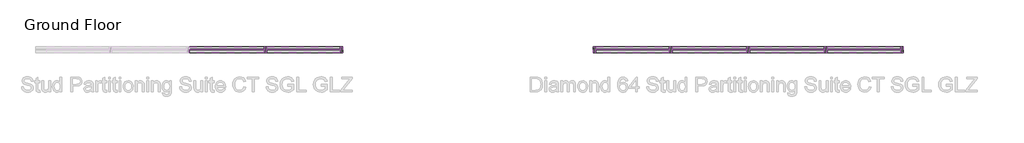
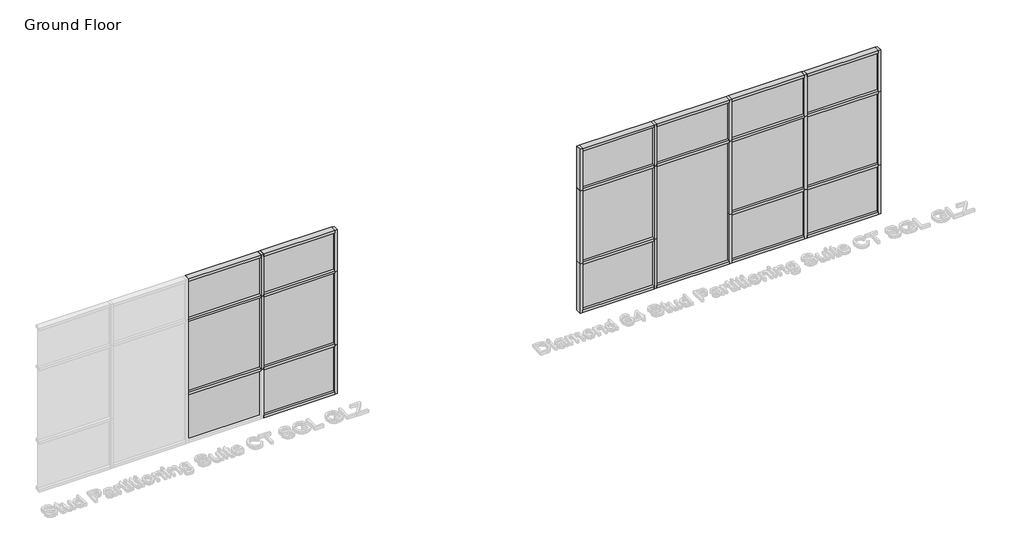
# One storey, part 10 of 32: 42 members, 17 plates.
"""IFC4 building model written with IfcOpenShell, lengths in millimetres."""

import ifcopenshell
import ifcopenshell.guid

model = None  # the IFC model being written
_history = None  # IfcOwnerHistory: only IFC2X3 demands one
_inside = {}  # id of a spatial element -> (the spatial element, [elements in it])
_under = {}  # id of a project, library or spatial element -> (it, [spatial elements below it])
_declared = {}  # id of a project -> (the project, [libraries it declares])
_typed = {}  # id of a type object -> (the type object, [elements of that type])
_made_of = {}  # id of a material, layer set ... -> (it, [elements and type objects made of it])


def new_model(schema):
    """Start an empty IFC model of exactly this schema.

    Asked for "IFC4X3", IfcOpenShell would pick the latest addendum, in which some entities
    have other attributes; the version numbers below select the first issue.
    IFC2X3 requires an IfcOwnerHistory on every rooted entity: one is made here for all.
    """
    global model, _history
    if schema == "IFC4X3":
        model = ifcopenshell.file(schema_version=(4, 3, 0, 0))
    else:
        model = ifcopenshell.file(schema=schema)
    _inside.clear()
    _under.clear()
    _declared.clear()
    _typed.clear()
    _made_of.clear()
    _history = None
    if model.schema == "IFC2X3":
        org = make("IfcOrganization", Name="unknown")
        user = make(
            "IfcPersonAndOrganization",
            ThePerson=make("IfcPerson", FamilyName="unknown"),
            TheOrganization=org,
        )
        app = make(
            "IfcApplication",
            ApplicationDeveloper=org,
            Version="unknown",
            ApplicationFullName="unknown",
            ApplicationIdentifier="unknown",
        )
        _history = make(
            "IfcOwnerHistory",
            OwningUser=user,
            OwningApplication=app,
            ChangeAction="ADDED",
            CreationDate=0,
        )
    return model


def make(cls, **values):
    """One entity of the class cls with the attributes given. An attribute that is None is left unset."""
    return model.create_entity(
        cls, **{name: value for name, value in values.items() if value is not None}
    )


def rooted(cls, **values):
    """An entity with a GlobalId (a new one), such as an element, a storey or a relation."""
    return make(cls, GlobalId=ifcopenshell.guid.new(), OwnerHistory=_history, **values)


def si_unit(unit_type, name, prefix=None):
    """IfcSIUnit, for example si_unit("LENGTHUNIT", "METRE", prefix="MILLI")."""
    return make("IfcSIUnit", UnitType=unit_type, Prefix=prefix, Name=name)


def assignment(units):
    """IfcUnitAssignment: the units of a project."""
    return None if units is None else make("IfcUnitAssignment", Units=units)


def point(xyz):
    """IfcCartesianPoint."""
    return None if xyz is None else make("IfcCartesianPoint", Coordinates=xyz)


def direction(xyz):
    """IfcDirection."""
    return None if xyz is None else make("IfcDirection", DirectionRatios=xyz)


def frame(location, z_axis=None, x_axis=None):
    """IfcAxis2Placement3D, a coordinate frame: its origin and axes. An axis left out is left unset."""
    return make(
        "IfcAxis2Placement3D",
        Location=point(location),
        Axis=direction(z_axis),
        RefDirection=direction(x_axis),
    )


def origin():
    """The frame at (0, 0, 0) with its axes left unset."""
    return frame((0.0, 0.0, 0.0))


def origin_with_axes():
    """The frame at (0, 0, 0) with the z axis (0, 0, 1) and the x axis (1, 0, 0) written out."""
    return frame((0.0, 0.0, 0.0), z_axis=(0.0, 0.0, 1.0), x_axis=(1.0, 0.0, 0.0))


def place(relative_to, where):
    """IfcLocalPlacement: puts the frame where relative to a parent placement (None: the world)."""
    return make(
        "IfcLocalPlacement", PlacementRelTo=relative_to, RelativePlacement=where
    )


def context(
    kind, dimensions, precision=None, world=None, true_north=None, identifier=None
):
    """IfcGeometricRepresentationContext, for example the 3D "Model" context."""
    return make(
        "IfcGeometricRepresentationContext",
        ContextIdentifier=identifier,
        ContextType=kind,
        CoordinateSpaceDimension=dimensions,
        Precision=precision,
        WorldCoordinateSystem=world,
        TrueNorth=true_north,
    )


def project(units=None, contexts=None):
    """IfcProject with its units and contexts."""
    return rooted(
        "IfcProject",
        Name="project",
        RepresentationContexts=contexts,
        UnitsInContext=assignment(units),
    )


def spatial(cls, under=None, at=None, **own):
    """A site, building, storey or space (cls), placed at a placement, below another one or the project."""
    s = rooted(cls, ObjectPlacement=at, **own)
    if under is not None:
        _under.setdefault(under.id(), (under, []))[1].append(s)
    return s


def polyline(points):
    """IfcPolyline through the points."""
    return make("IfcPolyline", Points=[point(p) for p in points])


def outline(outer, holes=None, kind="AREA"):
    """IfcArbitraryClosedProfileDef: a profile drawn as a closed curve; with holes, ...WithVoids."""
    if holes is None:
        return make("IfcArbitraryClosedProfileDef", ProfileType=kind, OuterCurve=outer)
    return make(
        "IfcArbitraryProfileDefWithVoids",
        ProfileType=kind,
        OuterCurve=outer,
        InnerCurves=holes,
    )


def extrude(swept, where, along, depth):
    """IfcExtrudedAreaSolid: the profile swept, set in the frame where, extruded along a direction by depth."""
    return make(
        "IfcExtrudedAreaSolid",
        SweptArea=swept,
        Position=where,
        ExtrudedDirection=direction(along),
        Depth=depth,
    )


def shape(context_of_items, identifier, shape_type, items):
    """IfcShapeRepresentation: the items that make up one representation, for example the "Body"."""
    return make(
        "IfcShapeRepresentation",
        ContextOfItems=context_of_items,
        RepresentationIdentifier=identifier,
        RepresentationType=shape_type,
        Items=items,
    )


def source(mapping_origin, context_of_items, identifier, shape_type, items):
    """IfcRepresentationMap: a shape defined once, which mapped items show again and again."""
    return make(
        "IfcRepresentationMap",
        MappingOrigin=mapping_origin,
        MappedRepresentation=shape(context_of_items, identifier, shape_type, items),
    )


def transform(
    local_origin,
    x_axis=None,
    y_axis=None,
    z_axis=None,
    scale=None,
    scale2=None,
    scale3=None,
    uniform=True,
):
    """IfcCartesianTransformationOperator3D, or its non-uniform kind. x_axis, y_axis, z_axis: its Axis1, 2, 3."""
    if uniform:
        return make(
            "IfcCartesianTransformationOperator3D",
            Axis1=direction(x_axis),
            Axis2=direction(y_axis),
            LocalOrigin=point(local_origin),
            Scale=scale,
            Axis3=direction(z_axis),
        )
    return make(
        "IfcCartesianTransformationOperator3DnonUniform",
        Axis1=direction(x_axis),
        Axis2=direction(y_axis),
        LocalOrigin=point(local_origin),
        Scale=scale,
        Axis3=direction(z_axis),
        Scale2=scale2,
        Scale3=scale3,
    )


def mapped(mapping_source, mapping_target):
    """IfcMappedItem: shows the shape of a source again, moved by a transform."""
    return make(
        "IfcMappedItem", MappingSource=mapping_source, MappingTarget=mapping_target
    )


def made_of(thing, what):
    """Note that an element or type object is made of a material, layer set ...; save() writes the relation."""
    if what is not None:
        _made_of.setdefault(what.id(), (what, []))[1].append(thing)
    return thing


def element(
    cls,
    number,
    at=None,
    inside=None,
    cuts=None,
    type_object=None,
    material=None,
    context=None,
    identifier="Body",
    shape_type=None,
    held_by="IfcProductDefinitionShape",
    body=None,
    shapes=None,
    **own,
):
    """One element of the class cls, such as IfcWall. Its Tag is "e" and its number.

    at: its placement. inside: the storey or other place that contains it. cuts: it is an
    opening in that element (IfcRelVoidsElement). A single representation is given by context,
    identifier, shape_type and body (its items); several are given by shapes. held_by: the class
    of the entity that holds the representations. save() writes the other relations.
    """
    e = rooted(cls, Tag="e%d" % number, ObjectPlacement=at, **own)
    if body is not None:
        shapes = [shape(context, identifier, shape_type, body)]
    if shapes is not None:
        e.Representation = make(held_by, Representations=shapes)
    if inside is not None:
        _inside.setdefault(inside.id(), (inside, []))[1].append(e)
    if cuts is not None:
        rooted(
            "IfcRelVoidsElement", RelatingBuildingElement=cuts, RelatedOpeningElement=e
        )
    if type_object is not None:
        _typed.setdefault(type_object.id(), (type_object, []))[1].append(e)
    return made_of(e, material)


def aggregate(whole, parts):
    """IfcRelAggregates: a whole, such as a stair, and the parts it consists of."""
    return rooted("IfcRelAggregates", RelatingObject=whole, RelatedObjects=parts)


def save(model, path):
    """Write the relations noted so far, then the file.

    IfcRelAggregates (storeys below a building ...), IfcRelContainedInSpatialStructure (elements
    in a storey), IfcRelDefinesByType, IfcRelAssociatesMaterial and IfcRelDeclares: one each for
    every whole, place, type object, material and project.
    """
    for whole, parts in _under.values():
        aggregate(whole, parts)
    for where, things in _inside.values():
        rooted(
            "IfcRelContainedInSpatialStructure",
            RelatedElements=things,
            RelatingStructure=where,
        )
    for kind, things in _typed.values():
        rooted("IfcRelDefinesByType", RelatedObjects=things, RelatingType=kind)
    for what, things in _made_of.values():
        rooted("IfcRelAssociatesMaterial", RelatedObjects=things, RelatingMaterial=what)
    for by, libraries in _declared.values():
        rooted("IfcRelDeclares", RelatingContext=by, RelatedDefinitions=libraries)
    model.write(path)


def rectangular_mullion_101_6mm_pocket_framing_f6936da2(model_context):
    return source(origin(), model_context, "Body", "SweptSolid", [
        extrude(outline(polyline([(0.0, 50.8), (0.0, -50.8), (-44.5, -50.8), (-44.5, 50.8), (0.0, 50.8)])), frame((0.0, 0.0, -1233.2), z_axis=(0.0, 0.0, 1.0), x_axis=(1.0, 0.0, 0.0)), (0.0, 0.0, 1.0), 1233.2),
    ])


def rectangular_mullion_101_6mm_pocket_framing_c2234b28(model_context):
    return source(origin(), model_context, "Body", "SweptSolid", [
        extrude(outline(polyline([(0.0, 50.8), (0.0, -50.8), (-44.5, -50.8), (-44.5, 50.8), (0.0, 50.8)])), frame((0.0, 0.0, -1233.3), z_axis=(0.0, 0.0, 1.0), x_axis=(1.0, 0.0, 0.0)), (0.0, 0.0, 1.0), 1233.3),
    ])


def rectangular_mullion_101_6mm_pocket_framing_71218b62(model_context):
    return source(origin(), model_context, "Body", "SweptSolid", [
        extrude(outline(polyline([(22.3, 50.8), (22.3, -50.8), (-22.2, -50.8), (-22.2, 50.8), (22.3, 50.8)])), frame((0.0, 0.0, -900.0), z_axis=(0.0, 0.0, 1.0), x_axis=(1.0, 0.0, 0.0)), (0.0, 0.0, 1.0), 900.0),
    ])


def rectangular_mullion_101_6mm_pocket_framing_d6b3073b(model_context):
    return source(origin(), model_context, "Body", "SweptSolid", [
        extrude(outline(polyline([(22.3, 50.8), (22.3, -50.8), (-22.2, -50.8), (-22.2, 50.8), (22.3, 50.8)])), frame((0.0, 0.0, -1233.3), z_axis=(0.0, 0.0, 1.0), x_axis=(1.0, 0.0, 0.0)), (0.0, 0.0, 1.0), 1233.3),
    ])


def rectangular_mullion_101_6mm_pocket_framing_02036024(model_context):
    return source(origin(), model_context, "Body", "SweptSolid", [
        extrude(outline(polyline([(22.3, 50.8), (22.3, -50.8), (-22.2, -50.8), (-22.2, 50.8), (22.3, 50.8)])), frame((0.0, 0.0, -1255.5), z_axis=(0.0, 0.0, 1.0), x_axis=(1.0, 0.0, 0.0)), (0.0, 0.0, 1.0), 1255.5),
    ])


def rectangular_mullion_101_6mm_pocket_framing_c648c660(model_context):
    return source(origin(), model_context, "Body", "SweptSolid", [
        extrude(outline(polyline([(0.0, 50.8), (0.0, -50.8), (-44.5, -50.8), (-44.5, 50.8), (0.0, 50.8)])), frame((0.0, 0.0, -1255.5), z_axis=(0.0, 0.0, 1.0), x_axis=(1.0, 0.0, 0.0)), (0.0, 0.0, 1.0), 1255.5),
    ])


def rectangular_mullion_101_6mm_pocket_framing_c55e2b81(model_context):
    return source(origin(), model_context, "Body", "SweptSolid", [
        extrude(outline(polyline([(22.3, 50.8), (22.3, -50.8), (-22.2, -50.8), (-22.2, 50.8), (22.3, 50.8)])), frame((0.0, 0.0, -760.0), z_axis=(0.0, 0.0, 1.0), x_axis=(1.0, 0.0, 0.0)), (0.0, 0.0, 1.0), 760.0),
    ])


def rectangular_mullion_101_6mm_pocket_framing_99c99ffd(model_context):
    return source(origin(), model_context, "Body", "SweptSolid", [
        extrude(outline(polyline([(22.3, 50.8), (22.3, -50.8), (-22.2, -50.8), (-22.2, 50.8), (22.3, 50.8)])), frame((0.0, 0.0, -1340.0), z_axis=(0.0, 0.0, 1.0), x_axis=(1.0, 0.0, 0.0)), (0.0, 0.0, 1.0), 1340.0),
    ])


def rectangular_mullion_101_6mm_pocket_framing_a92e5454(model_context):
    return source(origin(), model_context, "Body", "SweptSolid", [
        extrude(outline(polyline([(0.0, 50.8), (0.0, -50.8), (-44.5, -50.8), (-44.5, 50.8), (0.0, 50.8)])), frame((0.0, 0.0, -760.0), z_axis=(0.0, 0.0, 1.0), x_axis=(1.0, 0.0, 0.0)), (0.0, 0.0, 1.0), 760.0),
    ])


def rectangular_mullion_101_6mm_pocket_framing_e3ed427b(model_context):
    return source(origin(), model_context, "Body", "SweptSolid", [
        extrude(outline(polyline([(0.0, 50.8), (0.0, -50.8), (-44.5, -50.8), (-44.5, 50.8), (0.0, 50.8)])), frame((0.0, 0.0, -900.0), z_axis=(0.0, 0.0, 1.0), x_axis=(1.0, 0.0, 0.0)), (0.0, 0.0, 1.0), 900.0),
    ])


def rectangular_mullion_101_6mm_pocket_framing_08fb9d78(model_context):
    return source(origin(), model_context, "Body", "SweptSolid", [
        extrude(outline(polyline([(0.0, 50.8), (0.0, -50.8), (-44.5, -50.8), (-44.5, 50.8), (0.0, 50.8)])), frame((0.0, 0.0, -1340.0), z_axis=(0.0, 0.0, 1.0), x_axis=(1.0, 0.0, 0.0)), (0.0, 0.0, 1.0), 1340.0),
    ])


def plate_4c4316b1(model_context):
    return source(origin(), model_context, "Body", "SweptSolid", [
        extrude(outline(polyline([(616.65, 5.2), (616.65, -5.2), (-616.65, -5.2), (-616.65, 5.2), (616.65, 5.2)])), origin_with_axes(), (0.0, 0.0, 1.0), 833.3),
    ])


def plate_1e45ec1c(model_context):
    return source(origin(), model_context, "Body", "SweptSolid", [
        extrude(outline(polyline([(616.65, 5.2), (616.65, -5.2), (-616.65, -5.2), (-616.65, 5.2), (616.65, 5.2)])), origin_with_axes(), (0.0, 0.0, 1.0), 1295.5),
    ])


def plate_1936541f(model_context):
    return source(origin(), model_context, "Body", "SweptSolid", [
        extrude(outline(polyline([(616.65, 5.2), (616.65, -5.2), (-616.65, -5.2), (-616.65, 5.2), (616.65, 5.2)])), origin_with_axes(), (0.0, 0.0, 1.0), 693.2),
    ])


def plate_a5758aa4(model_context):
    return source(origin(), model_context, "Body", "SweptSolid", [
        extrude(outline(polyline([(627.75, 5.2), (627.75, -5.2), (-627.75, -5.2), (-627.75, 5.2), (627.75, 5.2)])), origin_with_axes(), (0.0, 0.0, 1.0), 2173.3),
    ])


def plate_ededded3(model_context):
    return source(origin(), model_context, "Body", "SweptSolid", [
        extrude(outline(polyline([(627.75, 5.2), (627.75, -5.2), (-627.75, -5.2), (-627.75, 5.2), (627.75, 5.2)])), origin_with_axes(), (0.0, 0.0, 1.0), 693.2),
    ])


def plate_49a47717(model_context):
    return source(origin(), model_context, "Body", "SweptSolid", [
        extrude(outline(polyline([(627.75, 5.2), (627.75, -5.2), (-627.75, -5.2), (-627.75, 5.2), (627.75, 5.2)])), origin_with_axes(), (0.0, 0.0, 1.0), 833.3),
    ])


def plate_3d112146(model_context):
    return source(origin(), model_context, "Body", "SweptSolid", [
        extrude(outline(polyline([(627.75, 5.2), (627.75, -5.2), (-627.75, -5.2), (-627.75, 5.2), (627.75, 5.2)])), origin_with_axes(), (0.0, 0.0, 1.0), 1295.5),
    ])


def plate_ecaf0077(model_context):
    return source(origin(), model_context, "Body", "SweptSolid", [
        extrude(outline(polyline([(616.6, 5.2), (616.6, -5.2), (-616.6, -5.2), (-616.6, 5.2), (616.6, 5.2)])), origin_with_axes(), (0.0, 0.0, 1.0), 833.3),
    ])


def plate_d3ba7752(model_context):
    return source(origin(), model_context, "Body", "SweptSolid", [
        extrude(outline(polyline([(616.6, 5.2), (616.6, -5.2), (-616.6, -5.2), (-616.6, 5.2), (616.6, 5.2)])), origin_with_axes(), (0.0, 0.0, 1.0), 1295.5),
    ])


def plate_7c9364c8(model_context):
    return source(origin(), model_context, "Body", "SweptSolid", [
        extrude(outline(polyline([(616.6, 5.2), (616.6, -5.2), (-616.6, -5.2), (-616.6, 5.2), (616.6, 5.2)])), origin_with_axes(), (0.0, 0.0, 1.0), 693.2),
    ])


model = new_model("IFC4")

# Units and contexts
model_context = context("Model", 3, world=origin())
ifc_project = project(units=[si_unit("LENGTHUNIT", "METRE", prefix="MILLI")], contexts=[model_context])

# Site, building, storey
site = spatial("IfcSite", under=ifc_project)
building = spatial("IfcBuilding", under=site)
storey = spatial("IfcBuildingStorey", under=building, Name="Ground Floor", Elevation=0.0)

# Members
placement = place(None, origin())
rectangular_mullion_101_6mm_pocket_framing_shape = rectangular_mullion_101_6mm_pocket_framing_f6936da2(model_context)
element("IfcMember", 1, ObjectType="Rectangular Mullion : 101.6mm Pocket Framing", at=placement, inside=storey, context=model_context, shape_type="MappedRepresentation", body=[
    mapped(rectangular_mullion_101_6mm_pocket_framing_shape, transform((90971.2255874, 11147.1997711, 3000.0), x_axis=(0.0, 0.0, 1.0), y_axis=(0.0, -1.0, 0.0), z_axis=(1.0, 0.0, 0.0))),
])
element("IfcMember", 2, ObjectType="Rectangular Mullion : 101.6mm Pocket Framing", at=placement, inside=storey, context=model_context, shape_type="MappedRepresentation", body=[
    mapped(rectangular_mullion_101_6mm_pocket_framing_shape, transform((100371.2255874, 11147.1997711, 3000.0), x_axis=(0.0, 0.0, 1.0), y_axis=(0.0, -1.0, 0.0), z_axis=(1.0, 0.0, 0.0))),
])
element("IfcMember", 3, ObjectType="Rectangular Mullion : 101.6mm Pocket Framing", at=placement, inside=storey, context=model_context, shape_type="MappedRepresentation", body=[
    mapped(rectangular_mullion_101_6mm_pocket_framing_shape, transform((96493.5255874, 11147.1997711, 3000.0), x_axis=(0.0, 0.0, 1.0), y_axis=(0.0, -1.0, 0.0), z_axis=(1.0, 0.0, 0.0))),
])
rectangular_mullion_101_6mm_pocket_framing_2_shape = rectangular_mullion_101_6mm_pocket_framing_c2234b28(model_context)
element("IfcMember", 4, ObjectType="Rectangular Mullion : 101.6mm Pocket Framing", at=placement, inside=storey, context=model_context, shape_type="MappedRepresentation", body=[
    mapped(rectangular_mullion_101_6mm_pocket_framing_2_shape, transform((89738.0255874, 11147.1997711, 0.0), x_axis=(0.0, 0.0, -1.0), y_axis=(0.0, -1.0, 0.0), z_axis=(-1.0, 0.0, 0.0))),
])
element("IfcMember", 5, ObjectType="Rectangular Mullion : 101.6mm Pocket Framing", at=placement, inside=storey, context=model_context, shape_type="MappedRepresentation", body=[
    mapped(rectangular_mullion_101_6mm_pocket_framing_2_shape, transform((95260.2255874, 11147.1997711, 0.0), x_axis=(0.0, 0.0, -1.0), y_axis=(0.0, -1.0, 0.0), z_axis=(-1.0, 0.0, 0.0))),
])
element("IfcMember", 6, ObjectType="Rectangular Mullion : 101.6mm Pocket Framing", at=placement, inside=storey, context=model_context, shape_type="MappedRepresentation", body=[
    mapped(rectangular_mullion_101_6mm_pocket_framing_2_shape, transform((99138.0255874, 11147.1997711, 0.0), x_axis=(0.0, 0.0, -1.0), y_axis=(0.0, -1.0, 0.0), z_axis=(-1.0, 0.0, 0.0))),
])
rectangular_mullion_101_6mm_pocket_framing_3_shape = rectangular_mullion_101_6mm_pocket_framing_71218b62(model_context)
element("IfcMember", 7, ObjectType="Rectangular Mullion : 101.6mm Pocket Framing", at=placement, inside=storey, context=model_context, shape_type="MappedRepresentation", body=[
    mapped(rectangular_mullion_101_6mm_pocket_framing_3_shape, transform((96515.7255874, 11147.1997711, 0.0), x_axis=(1.0, 0.0, 0.0), y_axis=(0.0, -1.0, 0.0), z_axis=(0.0, 0.0, -1.0))),
])
element("IfcMember", 8, ObjectType="Rectangular Mullion : 101.6mm Pocket Framing", at=placement, inside=storey, context=model_context, shape_type="MappedRepresentation", body=[
    mapped(rectangular_mullion_101_6mm_pocket_framing_3_shape, transform((97815.7255874, 11147.1997711, 0.0), x_axis=(1.0, 0.0, 0.0), y_axis=(0.0, -1.0, 0.0), z_axis=(0.0, 0.0, -1.0))),
])
element("IfcMember", 9, ObjectType="Rectangular Mullion : 101.6mm Pocket Framing", at=placement, inside=storey, context=model_context, shape_type="MappedRepresentation", body=[
    mapped(rectangular_mullion_101_6mm_pocket_framing_3_shape, transform((99115.7255874, 11147.1997711, 0.0), x_axis=(1.0, 0.0, 0.0), y_axis=(0.0, -1.0, 0.0), z_axis=(0.0, 0.0, -1.0))),
])
rectangular_mullion_101_6mm_pocket_framing_4_shape = rectangular_mullion_101_6mm_pocket_framing_d6b3073b(model_context)
element("IfcMember", 10, ObjectType="Rectangular Mullion : 101.6mm Pocket Framing", at=placement, inside=storey, context=model_context, shape_type="MappedRepresentation", body=[
    mapped(rectangular_mullion_101_6mm_pocket_framing_4_shape, transform((90971.2255874, 11147.1997711, 2240.0), x_axis=(0.0, 0.0, 1.0), y_axis=(0.0, -1.0, 0.0), z_axis=(1.0, 0.0, 0.0))),
])
element("IfcMember", 11, ObjectType="Rectangular Mullion : 101.6mm Pocket Framing", at=placement, inside=storey, context=model_context, shape_type="MappedRepresentation", body=[
    mapped(rectangular_mullion_101_6mm_pocket_framing_4_shape, transform((90971.2255874, 11147.1997711, 900.0), x_axis=(0.0, 0.0, 1.0), y_axis=(0.0, -1.0, 0.0), z_axis=(1.0, 0.0, 0.0))),
])
element("IfcMember", 12, ObjectType="Rectangular Mullion : 101.6mm Pocket Framing", at=placement, inside=storey, context=model_context, shape_type="MappedRepresentation", body=[
    mapped(rectangular_mullion_101_6mm_pocket_framing_4_shape, transform((96493.5255874, 11147.1997711, 2240.0), x_axis=(0.0, 0.0, 1.0), y_axis=(0.0, -1.0, 0.0), z_axis=(1.0, 0.0, 0.0))),
])
element("IfcMember", 13, ObjectType="Rectangular Mullion : 101.6mm Pocket Framing", at=placement, inside=storey, context=model_context, shape_type="MappedRepresentation", body=[
    mapped(rectangular_mullion_101_6mm_pocket_framing_4_shape, transform((100371.2255874, 11147.1997711, 2240.0), x_axis=(0.0, 0.0, 1.0), y_axis=(0.0, -1.0, 0.0), z_axis=(1.0, 0.0, 0.0))),
])
element("IfcMember", 14, ObjectType="Rectangular Mullion : 101.6mm Pocket Framing", at=placement, inside=storey, context=model_context, shape_type="MappedRepresentation", body=[
    mapped(rectangular_mullion_101_6mm_pocket_framing_4_shape, transform((96493.5255874, 11147.1997711, 900.0), x_axis=(0.0, 0.0, 1.0), y_axis=(0.0, -1.0, 0.0), z_axis=(1.0, 0.0, 0.0))),
])
element("IfcMember", 15, ObjectType="Rectangular Mullion : 101.6mm Pocket Framing", at=placement, inside=storey, context=model_context, shape_type="MappedRepresentation", body=[
    mapped(rectangular_mullion_101_6mm_pocket_framing_4_shape, transform((100371.2255874, 11147.1997711, 900.0), x_axis=(0.0, 0.0, 1.0), y_axis=(0.0, -1.0, 0.0), z_axis=(1.0, 0.0, 0.0))),
])
rectangular_mullion_101_6mm_pocket_framing_5_shape = rectangular_mullion_101_6mm_pocket_framing_02036024(model_context)
element("IfcMember", 16, ObjectType="Rectangular Mullion : 101.6mm Pocket Framing", at=placement, inside=storey, context=model_context, shape_type="MappedRepresentation", body=[
    mapped(rectangular_mullion_101_6mm_pocket_framing_5_shape, transform((89693.5255874, 11147.1997711, 2240.0), x_axis=(0.0, 0.0, 1.0), y_axis=(0.0, -1.0, 0.0), z_axis=(1.0, 0.0, 0.0))),
])
element("IfcMember", 17, ObjectType="Rectangular Mullion : 101.6mm Pocket Framing", at=placement, inside=storey, context=model_context, shape_type="MappedRepresentation", body=[
    mapped(rectangular_mullion_101_6mm_pocket_framing_5_shape, transform((89693.5255874, 11147.1997711, 900.0), x_axis=(0.0, 0.0, 1.0), y_axis=(0.0, -1.0, 0.0), z_axis=(1.0, 0.0, 0.0))),
])
element("IfcMember", 18, ObjectType="Rectangular Mullion : 101.6mm Pocket Framing", at=placement, inside=storey, context=model_context, shape_type="MappedRepresentation", body=[
    mapped(rectangular_mullion_101_6mm_pocket_framing_5_shape, transform((97793.5255874, 11147.1997711, 2240.0), x_axis=(0.0, 0.0, 1.0), y_axis=(0.0, -1.0, 0.0), z_axis=(1.0, 0.0, 0.0))),
])
element("IfcMember", 19, ObjectType="Rectangular Mullion : 101.6mm Pocket Framing", at=placement, inside=storey, context=model_context, shape_type="MappedRepresentation", body=[
    mapped(rectangular_mullion_101_6mm_pocket_framing_5_shape, transform((99093.5255874, 11147.1997711, 2240.0), x_axis=(0.0, 0.0, 1.0), y_axis=(0.0, -1.0, 0.0), z_axis=(1.0, 0.0, 0.0))),
])
element("IfcMember", 20, ObjectType="Rectangular Mullion : 101.6mm Pocket Framing", at=placement, inside=storey, context=model_context, shape_type="MappedRepresentation", body=[
    mapped(rectangular_mullion_101_6mm_pocket_framing_5_shape, transform((99093.5255874, 11147.1997711, 900.0), x_axis=(0.0, 0.0, 1.0), y_axis=(0.0, -1.0, 0.0), z_axis=(1.0, 0.0, 0.0))),
])
rectangular_mullion_101_6mm_pocket_framing_6_shape = rectangular_mullion_101_6mm_pocket_framing_c648c660(model_context)
element("IfcMember", 21, ObjectType="Rectangular Mullion : 101.6mm Pocket Framing", at=placement, inside=storey, context=model_context, shape_type="MappedRepresentation", body=[
    mapped(rectangular_mullion_101_6mm_pocket_framing_6_shape, transform((96538.0255874, 11147.1997711, 0.0), x_axis=(0.0, 0.0, -1.0), y_axis=(0.0, -1.0, 0.0), z_axis=(-1.0, 0.0, 0.0))),
])
element("IfcMember", 22, ObjectType="Rectangular Mullion : 101.6mm Pocket Framing", at=placement, inside=storey, context=model_context, shape_type="MappedRepresentation", body=[
    mapped(rectangular_mullion_101_6mm_pocket_framing_6_shape, transform((97838.0255874, 11147.1997711, 0.0), x_axis=(0.0, 0.0, -1.0), y_axis=(0.0, -1.0, 0.0), z_axis=(-1.0, 0.0, 0.0))),
])
element("IfcMember", 23, ObjectType="Rectangular Mullion : 101.6mm Pocket Framing", at=placement, inside=storey, context=model_context, shape_type="MappedRepresentation", body=[
    mapped(rectangular_mullion_101_6mm_pocket_framing_6_shape, transform((89693.5255874, 11147.1997711, 3000.0), x_axis=(0.0, 0.0, 1.0), y_axis=(0.0, -1.0, 0.0), z_axis=(1.0, 0.0, 0.0))),
])
element("IfcMember", 24, ObjectType="Rectangular Mullion : 101.6mm Pocket Framing", at=placement, inside=storey, context=model_context, shape_type="MappedRepresentation", body=[
    mapped(rectangular_mullion_101_6mm_pocket_framing_6_shape, transform((97793.5255874, 11147.1997711, 3000.0), x_axis=(0.0, 0.0, 1.0), y_axis=(0.0, -1.0, 0.0), z_axis=(1.0, 0.0, 0.0))),
])
element("IfcMember", 25, ObjectType="Rectangular Mullion : 101.6mm Pocket Framing", at=placement, inside=storey, context=model_context, shape_type="MappedRepresentation", body=[
    mapped(rectangular_mullion_101_6mm_pocket_framing_6_shape, transform((99093.5255874, 11147.1997711, 3000.0), x_axis=(0.0, 0.0, 1.0), y_axis=(0.0, -1.0, 0.0), z_axis=(1.0, 0.0, 0.0))),
])
rectangular_mullion_101_6mm_pocket_framing_7_shape = rectangular_mullion_101_6mm_pocket_framing_c55e2b81(model_context)
element("IfcMember", 26, ObjectType="Rectangular Mullion : 101.6mm Pocket Framing", at=placement, inside=storey, context=model_context, shape_type="MappedRepresentation", body=[
    mapped(rectangular_mullion_101_6mm_pocket_framing_7_shape, transform((89715.7255874, 11147.1997711, 2240.0), x_axis=(1.0, 0.0, 0.0), y_axis=(0.0, -1.0, 0.0), z_axis=(0.0, 0.0, -1.0))),
])
element("IfcMember", 27, ObjectType="Rectangular Mullion : 101.6mm Pocket Framing", at=placement, inside=storey, context=model_context, shape_type="MappedRepresentation", body=[
    mapped(rectangular_mullion_101_6mm_pocket_framing_7_shape, transform((96515.7255874, 11147.1997711, 2240.0), x_axis=(1.0, 0.0, 0.0), y_axis=(0.0, -1.0, 0.0), z_axis=(0.0, 0.0, -1.0))),
])
element("IfcMember", 28, ObjectType="Rectangular Mullion : 101.6mm Pocket Framing", at=placement, inside=storey, context=model_context, shape_type="MappedRepresentation", body=[
    mapped(rectangular_mullion_101_6mm_pocket_framing_7_shape, transform((97815.7255874, 11147.1997711, 2240.0), x_axis=(1.0, 0.0, 0.0), y_axis=(0.0, -1.0, 0.0), z_axis=(0.0, 0.0, -1.0))),
])
element("IfcMember", 29, ObjectType="Rectangular Mullion : 101.6mm Pocket Framing", at=placement, inside=storey, context=model_context, shape_type="MappedRepresentation", body=[
    mapped(rectangular_mullion_101_6mm_pocket_framing_7_shape, transform((99115.7255874, 11147.1997711, 2240.0), x_axis=(1.0, 0.0, 0.0), y_axis=(0.0, -1.0, 0.0), z_axis=(0.0, 0.0, -1.0))),
])
rectangular_mullion_101_6mm_pocket_framing_8_shape = rectangular_mullion_101_6mm_pocket_framing_99c99ffd(model_context)
element("IfcMember", 30, ObjectType="Rectangular Mullion : 101.6mm Pocket Framing", at=placement, inside=storey, context=model_context, shape_type="MappedRepresentation", body=[
    mapped(rectangular_mullion_101_6mm_pocket_framing_8_shape, transform((89715.7255874, 11147.1997711, 900.0), x_axis=(1.0, 0.0, 0.0), y_axis=(0.0, -1.0, 0.0), z_axis=(0.0, 0.0, -1.0))),
])
element("IfcMember", 31, ObjectType="Rectangular Mullion : 101.6mm Pocket Framing", at=placement, inside=storey, context=model_context, shape_type="MappedRepresentation", body=[
    mapped(rectangular_mullion_101_6mm_pocket_framing_8_shape, transform((96515.7255874, 11147.1997711, 900.0), x_axis=(1.0, 0.0, 0.0), y_axis=(0.0, -1.0, 0.0), z_axis=(0.0, 0.0, -1.0))),
])
element("IfcMember", 32, ObjectType="Rectangular Mullion : 101.6mm Pocket Framing", at=placement, inside=storey, context=model_context, shape_type="MappedRepresentation", body=[
    mapped(rectangular_mullion_101_6mm_pocket_framing_8_shape, transform((97815.7255874, 11147.1997711, 900.0), x_axis=(1.0, 0.0, 0.0), y_axis=(0.0, -1.0, 0.0), z_axis=(0.0, 0.0, -1.0))),
])
element("IfcMember", 33, ObjectType="Rectangular Mullion : 101.6mm Pocket Framing", at=placement, inside=storey, context=model_context, shape_type="MappedRepresentation", body=[
    mapped(rectangular_mullion_101_6mm_pocket_framing_8_shape, transform((99115.7255874, 11147.1997711, 900.0), x_axis=(1.0, 0.0, 0.0), y_axis=(0.0, -1.0, 0.0), z_axis=(0.0, 0.0, -1.0))),
])
rectangular_mullion_101_6mm_pocket_framing_9_shape = rectangular_mullion_101_6mm_pocket_framing_a92e5454(model_context)
element("IfcMember", 34, ObjectType="Rectangular Mullion : 101.6mm Pocket Framing", at=placement, inside=storey, context=model_context, shape_type="MappedRepresentation", body=[
    mapped(rectangular_mullion_101_6mm_pocket_framing_9_shape, transform((95215.7255874, 11147.1997711, 3000.0), x_axis=(-1.0, 0.0, 0.0), y_axis=(0.0, -1.0, 0.0), z_axis=(0.0, 0.0, 1.0))),
])
rectangular_mullion_101_6mm_pocket_framing_10_shape = rectangular_mullion_101_6mm_pocket_framing_e3ed427b(model_context)
element("IfcMember", 35, ObjectType="Rectangular Mullion : 101.6mm Pocket Framing", at=placement, inside=storey, context=model_context, shape_type="MappedRepresentation", body=[
    mapped(rectangular_mullion_101_6mm_pocket_framing_10_shape, transform((91015.7255874, 11147.1997711, 0.0), x_axis=(1.0, 0.0, 0.0), y_axis=(0.0, -1.0, 0.0), z_axis=(0.0, 0.0, -1.0))),
])
element("IfcMember", 36, ObjectType="Rectangular Mullion : 101.6mm Pocket Framing", at=placement, inside=storey, context=model_context, shape_type="MappedRepresentation", body=[
    mapped(rectangular_mullion_101_6mm_pocket_framing_10_shape, transform((100415.7255874, 11147.1997711, 0.0), x_axis=(1.0, 0.0, 0.0), y_axis=(0.0, -1.0, 0.0), z_axis=(0.0, 0.0, -1.0))),
])
element("IfcMember", 37, ObjectType="Rectangular Mullion : 101.6mm Pocket Framing", at=placement, inside=storey, context=model_context, shape_type="MappedRepresentation", body=[
    mapped(rectangular_mullion_101_6mm_pocket_framing_9_shape, transform((91015.7255874, 11147.1997711, 2240.0), x_axis=(1.0, 0.0, 0.0), y_axis=(0.0, -1.0, 0.0), z_axis=(0.0, 0.0, -1.0))),
])
element("IfcMember", 38, ObjectType="Rectangular Mullion : 101.6mm Pocket Framing", at=placement, inside=storey, context=model_context, shape_type="MappedRepresentation", body=[
    mapped(rectangular_mullion_101_6mm_pocket_framing_9_shape, transform((100415.7255874, 11147.1997711, 2240.0), x_axis=(1.0, 0.0, 0.0), y_axis=(0.0, -1.0, 0.0), z_axis=(0.0, 0.0, -1.0))),
])
rectangular_mullion_101_6mm_pocket_framing_11_shape = rectangular_mullion_101_6mm_pocket_framing_08fb9d78(model_context)
element("IfcMember", 39, ObjectType="Rectangular Mullion : 101.6mm Pocket Framing", at=placement, inside=storey, context=model_context, shape_type="MappedRepresentation", body=[
    mapped(rectangular_mullion_101_6mm_pocket_framing_11_shape, transform((91015.7255874, 11147.1997711, 900.0), x_axis=(1.0, 0.0, 0.0), y_axis=(0.0, -1.0, 0.0), z_axis=(0.0, 0.0, -1.0))),
])
element("IfcMember", 40, ObjectType="Rectangular Mullion : 101.6mm Pocket Framing", at=placement, inside=storey, context=model_context, shape_type="MappedRepresentation", body=[
    mapped(rectangular_mullion_101_6mm_pocket_framing_11_shape, transform((100415.7255874, 11147.1997711, 900.0), x_axis=(1.0, 0.0, 0.0), y_axis=(0.0, -1.0, 0.0), z_axis=(0.0, 0.0, -1.0))),
])
element("IfcMember", 41, ObjectType="Rectangular Mullion : 101.6mm Pocket Framing", at=placement, inside=storey, context=model_context, shape_type="MappedRepresentation", body=[
    mapped(rectangular_mullion_101_6mm_pocket_framing_11_shape, transform((95215.7255874, 11147.1997711, 2240.0), x_axis=(-1.0, 0.0, 0.0), y_axis=(0.0, -1.0, 0.0), z_axis=(0.0, 0.0, 1.0))),
])
element("IfcMember", 42, ObjectType="Rectangular Mullion : 101.6mm Pocket Framing", at=placement, inside=storey, context=model_context, shape_type="MappedRepresentation", body=[
    mapped(rectangular_mullion_101_6mm_pocket_framing_10_shape, transform((95215.7255874, 11147.1997711, 900.0), x_axis=(-1.0, 0.0, 0.0), y_axis=(0.0, -1.0, 0.0), z_axis=(0.0, 0.0, 1.0))),
])

# Plates
plate_shape = plate_4c4316b1(model_context)
element("IfcPlate", 43, at=placement, inside=storey, context=model_context, shape_type="MappedRepresentation", body=[
    mapped(plate_shape, transform((95876.8755874, 11147.1997711, 44.5), x_axis=(1.0, 0.0, 0.0), y_axis=(0.0, 1.0, 0.0), z_axis=(0.0, 0.0, 1.0))),
])
plate_2_shape = plate_1e45ec1c(model_context)
element("IfcPlate", 44, at=placement, inside=storey, context=model_context, shape_type="MappedRepresentation", body=[
    mapped(plate_2_shape, transform((95876.8755874, 11147.1997711, 922.3), x_axis=(1.0, 0.0, 0.0), y_axis=(0.0, 1.0, 0.0), z_axis=(0.0, 0.0, 1.0))),
])
plate_3_shape = plate_1936541f(model_context)
element("IfcPlate", 45, at=placement, inside=storey, context=model_context, shape_type="MappedRepresentation", body=[
    mapped(plate_3_shape, transform((95876.8755874, 11147.1997711, 2262.3), x_axis=(1.0, 0.0, 0.0), y_axis=(0.0, 1.0, 0.0), z_axis=(0.0, 0.0, 1.0))),
])
plate_4_shape = plate_a5758aa4(model_context)
element("IfcPlate", 46, at=placement, inside=storey, context=model_context, shape_type="MappedRepresentation", body=[
    mapped(plate_4_shape, transform((97165.7755874, 11147.1997711, 44.5), x_axis=(1.0, 0.0, 0.0), y_axis=(0.0, 1.0, 0.0), z_axis=(0.0, 0.0, 1.0))),
])
plate_5_shape = plate_ededded3(model_context)
element("IfcPlate", 47, at=placement, inside=storey, context=model_context, shape_type="MappedRepresentation", body=[
    mapped(plate_5_shape, transform((89065.7755874, 11147.1997711, 2262.3), x_axis=(1.0, 0.0, 0.0), y_axis=(0.0, 1.0, 0.0), z_axis=(0.0, 0.0, 1.0))),
])
element("IfcPlate", 48, at=placement, inside=storey, context=model_context, shape_type="MappedRepresentation", body=[
    mapped(plate_5_shape, transform((97165.7755874, 11147.1997711, 2262.3), x_axis=(1.0, 0.0, 0.0), y_axis=(0.0, 1.0, 0.0), z_axis=(0.0, 0.0, 1.0))),
])
element("IfcPlate", 49, at=placement, inside=storey, context=model_context, shape_type="MappedRepresentation", body=[
    mapped(plate_5_shape, transform((98465.7755874, 11147.1997711, 2262.3), x_axis=(1.0, 0.0, 0.0), y_axis=(0.0, 1.0, 0.0), z_axis=(0.0, 0.0, 1.0))),
])
plate_6_shape = plate_49a47717(model_context)
element("IfcPlate", 50, at=placement, inside=storey, context=model_context, shape_type="MappedRepresentation", body=[
    mapped(plate_6_shape, transform((89065.7755874, 11147.1997711, 44.5), x_axis=(1.0, 0.0, 0.0), y_axis=(0.0, 1.0, 0.0), z_axis=(0.0, 0.0, 1.0))),
])
element("IfcPlate", 51, at=placement, inside=storey, context=model_context, shape_type="MappedRepresentation", body=[
    mapped(plate_6_shape, transform((98465.7755874, 11147.1997711, 44.5), x_axis=(1.0, 0.0, 0.0), y_axis=(0.0, 1.0, 0.0), z_axis=(0.0, 0.0, 1.0))),
])
plate_7_shape = plate_3d112146(model_context)
element("IfcPlate", 52, at=placement, inside=storey, context=model_context, shape_type="MappedRepresentation", body=[
    mapped(plate_7_shape, transform((89065.7755874, 11147.1997711, 922.3), x_axis=(1.0, 0.0, 0.0), y_axis=(0.0, 1.0, 0.0), z_axis=(0.0, 0.0, 1.0))),
])
element("IfcPlate", 53, at=placement, inside=storey, context=model_context, shape_type="MappedRepresentation", body=[
    mapped(plate_7_shape, transform((98465.7755874, 11147.1997711, 922.3), x_axis=(1.0, 0.0, 0.0), y_axis=(0.0, 1.0, 0.0), z_axis=(0.0, 0.0, 1.0))),
])
plate_8_shape = plate_ecaf0077(model_context)
element("IfcPlate", 54, at=placement, inside=storey, context=model_context, shape_type="MappedRepresentation", body=[
    mapped(plate_8_shape, transform((90354.6255874, 11147.1997711, 44.5), x_axis=(1.0, 0.0, 0.0), y_axis=(0.0, 1.0, 0.0), z_axis=(0.0, 0.0, 1.0))),
])
element("IfcPlate", 55, at=placement, inside=storey, context=model_context, shape_type="MappedRepresentation", body=[
    mapped(plate_8_shape, transform((99754.6255874, 11147.1997711, 44.5), x_axis=(1.0, 0.0, 0.0), y_axis=(0.0, 1.0, 0.0), z_axis=(0.0, 0.0, 1.0))),
])
plate_9_shape = plate_d3ba7752(model_context)
element("IfcPlate", 56, at=placement, inside=storey, context=model_context, shape_type="MappedRepresentation", body=[
    mapped(plate_9_shape, transform((90354.6255874, 11147.1997711, 922.3), x_axis=(1.0, 0.0, 0.0), y_axis=(0.0, 1.0, 0.0), z_axis=(0.0, 0.0, 1.0))),
])
element("IfcPlate", 57, at=placement, inside=storey, context=model_context, shape_type="MappedRepresentation", body=[
    mapped(plate_9_shape, transform((99754.6255874, 11147.1997711, 922.3), x_axis=(1.0, 0.0, 0.0), y_axis=(0.0, 1.0, 0.0), z_axis=(0.0, 0.0, 1.0))),
])
plate_10_shape = plate_7c9364c8(model_context)
element("IfcPlate", 58, at=placement, inside=storey, context=model_context, shape_type="MappedRepresentation", body=[
    mapped(plate_10_shape, transform((90354.6255874, 11147.1997711, 2262.3), x_axis=(1.0, 0.0, 0.0), y_axis=(0.0, 1.0, 0.0), z_axis=(0.0, 0.0, 1.0))),
])
element("IfcPlate", 59, at=placement, inside=storey, context=model_context, shape_type="MappedRepresentation", body=[
    mapped(plate_10_shape, transform((99754.6255874, 11147.1997711, 2262.3), x_axis=(1.0, 0.0, 0.0), y_axis=(0.0, 1.0, 0.0), z_axis=(0.0, 0.0, 1.0))),
])

save(model, "model.ifc")
